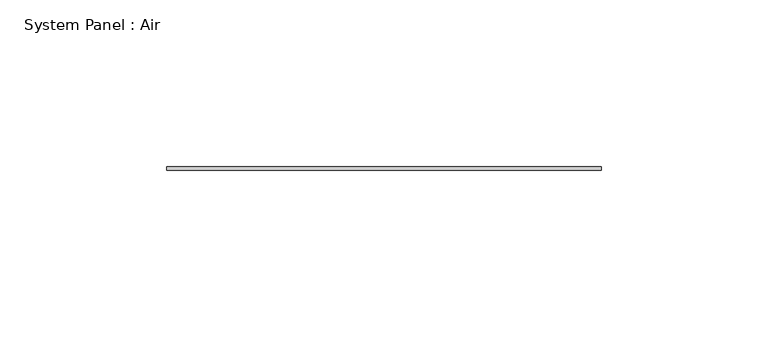
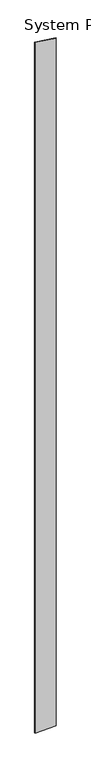
"""IFC4 building model written with IfcOpenShell, lengths in millimetres: plate geometry, System Panel : Air."""

from ifc_helpers import new_model, si_unit, frame, origin, place, context, project, spatial, polyline, outline, extrude, source, transform, mapped, element, save


def system_panel_air_54096692(model_context):
    return source(origin(), model_context, "Body", "SweptSolid", [
        extrude(outline(polyline([(0.0, -65.0), (0.0, 65.0), (4400.5042109, 65.0), (4419.7540616, -65.0), (0.0, -65.0)])), frame((0.0, 36.5, 0.0), z_axis=(0.0, 1.0, 0.0), x_axis=(0.0, 0.0, 1.0)), (0.0, 0.0, 1.0), 1.0),
    ])


if __name__ == "__main__":
    model = new_model("IFC4")
    model_context = context("Model", 3, world=origin())
    ifc_project = project(units=[si_unit("LENGTHUNIT", "METRE", prefix="MILLI")], contexts=[model_context])
    site = spatial("IfcSite", under=ifc_project)
    building = spatial("IfcBuilding", under=site)
    placement = place(None, origin())
    system_panel_air_shape = system_panel_air_54096692(model_context)
    element("IfcPlate", 1, ObjectType="System Panel : Air", at=placement, inside=building, context=model_context, shape_type="MappedRepresentation", body=[
        mapped(system_panel_air_shape, transform((0.0, 0.0, 0.0), x_axis=(1.0, 0.0, 0.0), y_axis=(0.0, 1.0, 0.0), z_axis=(0.0, 0.0, 1.0))),
    ])
    save(model, "model.ifc")
